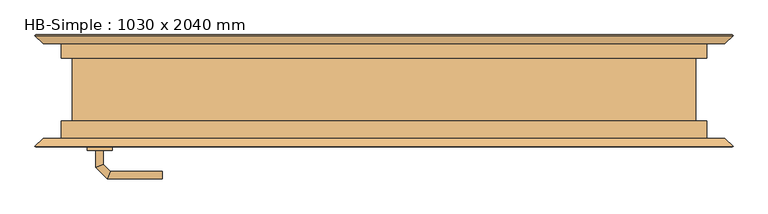
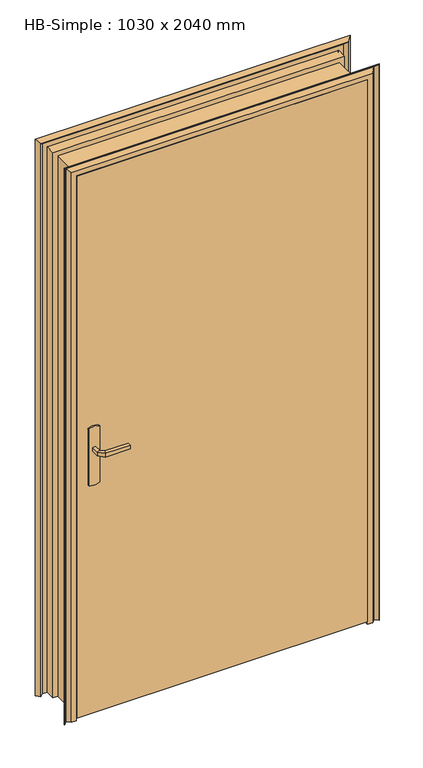
"""IFC4 building model written with IfcOpenShell, lengths in millimetres: door geometry, HB-Simple : 1030 x 2040 mm."""

from ifc_helpers import new_model, si_unit, point, frame, frame_2d, origin, place, context, project, spatial, polyline, circle_curve, ellipse_curve, trimmed, segment, composite_curve, outline, extrude, faceted_brep, source, transform, mapped, element, save
from ifc_brep_helpers import plane_surface, cylinder_surface, advanced_brep


def hb_simple_1030_x_2040_mm_afb3e1c7(model_context):
    return source(origin(), model_context, "Body", "SolidModel", [
        advanced_brep(
        [(-449.0, -45.0, 993.0), (-449.0, -45.0, 1007.0), (-461.0, -45.0, 1007.0), (-461.0, -45.0, 993.0), (-449.0, -22.5147955, 993.0), (-449.0, -22.5147955, 1007.0), (-461.0, -17.5442327, 1007.0), (-461.0, -17.5442327, 993.0), (-437.5147186, -11.0295141, 993.0), (-437.5147186, -11.0295141, 1007.0), (-442.4852814, 0.9704859, 1007.0), (-442.4852814, 0.9704859, 993.0), (-354.9542163, -11.0295141, 993.0), (-354.9542163, 0.9704859, 993.0), (-354.9542163, 0.9704859, 1007.0), (-354.9542163, -11.0295141, 1007.0)],
        [
            (0, 1),
            (1, 2, circle_curve(frame((-455.0, -45.0, 986.9542278), z_axis=(0.0, -1.0, 0.0), x_axis=(-1.0, 0.0, 0.0)), 20.9244589)),
            (2, 3),
            (3, 0, circle_curve(frame((-455.0, -45.0, 1013.0457722), z_axis=(0.0, -1.0, 0.0), x_axis=(-1.0, 0.0, 0.0)), 20.9244589)),
            (0, 4),
            (4, 5),
            (5, 1),
            (5, 6, ellipse_curve(frame((-455.0, -20.0295141, 986.9542278), z_axis=(-0.38268343236511726, -0.9238795325112753, 0.0), x_axis=(0.9238795325112752, -0.38268343236511776, 0.0)), 22.6484711, 20.9244589)),
            (6, 2),
            (6, 7),
            (7, 3),
            (7, 4, ellipse_curve(frame((-455.0, -20.0295141, 1013.0457722), z_axis=(-0.38268343236511726, -0.9238795325112753, 0.0), x_axis=(0.9238795325112752, -0.38268343236511776, 0.0)), 22.6484711, 20.9244589)),
            (4, 8),
            (8, 9),
            (9, 5),
            (9, 10, ellipse_curve(frame((-440.0, -5.0295141, 986.9542278), z_axis=(-0.9238795325112982, -0.38268343236506225, 0.0), x_axis=(0.3826834323650622, -0.9238795325112981, 0.0)), 22.6484711, 20.9244589)),
            (10, 6),
            (10, 11),
            (11, 7),
            (11, 8, ellipse_curve(frame((-440.0, -5.0295141, 1013.0457722), z_axis=(-0.9238795325112982, -0.38268343236506225, 0.0), x_axis=(0.3826834323650622, -0.9238795325112981, 0.0)), 22.6484711, 20.9244589)),
            (12, 13, circle_curve(frame((-354.9542163, -5.0295141, 1013.0457722), z_axis=(1.0, 0.0, 0.0), x_axis=(0.0, 1.0, 0.0)), 20.9244589)),
            (13, 14),
            (14, 15, circle_curve(frame((-354.9542163, -5.0295141, 986.9542278), z_axis=(1.0, 0.0, 0.0), x_axis=(0.0, 1.0, 0.0)), 20.9244589)),
            (15, 12),
            (8, 12),
            (15, 9),
            (14, 10),
            (13, 11),
        ],
        [
            plane_surface(frame((-464.2195445, -45.0, 1000.0), z_axis=(0.0, -1.0, 0.0), x_axis=(0.0, 0.0, 1.0))),
            plane_surface(frame((-449.0, -45.0, 993.0), z_axis=(1.0, 0.0, 0.0), x_axis=(0.0, 1.0, 0.0))),
            cylinder_surface(frame((-455.0, -45.0, 986.9542278), z_axis=(0.0, -1.0, 0.0), x_axis=(-1.0, 0.0, 0.0)), 20.9244589),
            plane_surface(frame((-461.0, -45.0, 1007.0), z_axis=(-1.0, 0.0, 0.0), x_axis=(0.0, 1.0, 0.0))),
            cylinder_surface(frame((-455.0, -45.0, 1013.0457722), z_axis=(0.0, -1.0, 0.0), x_axis=(-1.0, 0.0, 0.0)), 20.9244589),
            plane_surface(frame((-449.0, -22.5147955, 993.0), z_axis=(0.7071067811865118, -0.7071067811865832, 0.0), x_axis=(0.7071067811865832, 0.7071067811865118, 0.0))),
            cylinder_surface(frame((-455.0, -20.0295141, 986.9542278), z_axis=(-0.7071067811865832, -0.7071067811865118, 0.0), x_axis=(-0.7071067811865118, 0.7071067811865832, 0.0)), 20.9244589),
            plane_surface(frame((-461.0, -17.5442327, 1007.0), z_axis=(-0.7071067811865119, 0.7071067811865831, 0.0), x_axis=(0.7071067811865831, 0.7071067811865119, 0.0))),
            cylinder_surface(frame((-455.0, -20.0295141, 1013.0457722), z_axis=(-0.7071067811865832, -0.7071067811865118, 0.0), x_axis=(-0.7071067811865118, 0.7071067811865832, 0.0)), 20.9244589),
            plane_surface(frame((-354.9542163, -5.0295141, 990.7804555), z_axis=(1.0, 0.0, 0.0), x_axis=(0.0, 1.0, 0.0))),
            plane_surface(frame((-437.5147186, -11.0295141, 993.0), z_axis=(0.0, -1.0, 0.0), x_axis=(1.0, 0.0, 0.0))),
            cylinder_surface(frame((-440.0, -5.0295141, 986.9542278), z_axis=(-1.0, 0.0, 0.0), x_axis=(0.0, 1.0, 0.0)), 20.9244589),
            plane_surface(frame((-442.4852814, 0.9704859, 1007.0), z_axis=(0.0, 1.0, 0.0), x_axis=(1.0, 0.0, 0.0))),
            cylinder_surface(frame((-440.0, -5.0295141, 1013.0457722), z_axis=(-1.0, 0.0, 0.0), x_axis=(0.0, 1.0, 0.0)), 20.9244589),
        ],
        [
            (0, [[1, 2, 3, 4]]),
            (1, [[-1, 5, 6, 7]]),
            (2, [[-2, -7, 8, 9]]),
            (3, [[-3, -9, 10, 11]]),
            (4, [[-4, -11, 12, -5]]),
            (5, [[-6, 13, 14, 15]]),
            (6, [[-8, -15, 16, 17]]),
            (7, [[-10, -17, 18, 19]]),
            (8, [[-12, -19, 20, -13]]),
            (9, [[21, 22, 23, 24]]),
            (10, [[-14, 25, -24, 26]]),
            (11, [[-16, -26, -23, 27]]),
            (12, [[-18, -27, -22, 28]]),
            (13, [[-20, -28, -21, -25]]),
        ],
    ),
        advanced_brep(
        [(-461.0, -95.0, 1007.0), (-449.0, -95.0, 1007.0), (-449.0, -95.0, 993.0), (-461.0, -95.0, 993.0), (-461.0, -122.6509507, 1007.0), (-449.0, -117.680388, 1007.0), (-449.0, -117.680388, 993.0), (-461.0, -122.6509507, 993.0), (-442.62279, -141.0281607, 1007.0), (-437.6522273, -129.0281607, 1007.0), (-437.6522273, -129.0281607, 993.0), (-442.62279, -141.0281607, 993.0), (-354.9813594, -141.0281607, 1007.0), (-354.9813594, -141.0281607, 993.0), (-354.9813594, -129.0281607, 993.0), (-354.9813594, -129.0281607, 1007.0)],
        [
            (0, 1, circle_curve(frame((-455.0, -95.0, 986.9542278), z_axis=(0.0, 1.0, 0.0), x_axis=(1.0, 0.0, 0.0)), 20.9244589)),
            (1, 2),
            (2, 3, circle_curve(frame((-455.0, -95.0, 1013.0457722), z_axis=(0.0, 1.0, 0.0), x_axis=(1.0, 0.0, 0.0)), 20.9244589)),
            (3, 0),
            (0, 4),
            (4, 5, ellipse_curve(frame((-455.0, -120.1656693, 986.9542278), z_axis=(-0.3826834323651007, 0.9238795325112821, 0.0), x_axis=(0.9238795325112822, 0.3826834323651012, 0.0)), 22.6484711, 20.9244589)),
            (5, 1),
            (5, 6),
            (6, 2),
            (6, 7, ellipse_curve(frame((-455.0, -120.1656693, 1013.0457722), z_axis=(-0.3826834323651007, 0.9238795325112821, 0.0), x_axis=(0.9238795325112822, 0.3826834323651012, 0.0)), 22.6484711, 20.9244589)),
            (7, 3),
            (7, 4),
            (4, 8),
            (8, 9, ellipse_curve(frame((-440.1375086, -135.0281607, 986.9542278), z_axis=(-0.9238795325112914, 0.3826834323650786, 0.0), x_axis=(0.38268343236507874, 0.9238795325112914, 0.0)), 22.6484711, 20.9244589)),
            (9, 5),
            (9, 10),
            (10, 6),
            (10, 11, ellipse_curve(frame((-440.1375086, -135.0281607, 1013.0457722), z_axis=(-0.9238795325112914, 0.3826834323650786, 0.0), x_axis=(0.38268343236507874, 0.9238795325112914, 0.0)), 22.6484711, 20.9244589)),
            (11, 7),
            (11, 8),
            (12, 13),
            (13, 14, circle_curve(frame((-354.9813594, -135.0281607, 1013.0457722), z_axis=(1.0, 0.0, 0.0), x_axis=(0.0, 1.0, 0.0)), 20.9244589)),
            (14, 15),
            (15, 12, circle_curve(frame((-354.9813594, -135.0281607, 986.9542278), z_axis=(1.0, 0.0, 0.0), x_axis=(0.0, 1.0, 0.0)), 20.9244589)),
            (8, 12),
            (15, 9),
            (14, 10),
            (13, 11),
        ],
        [
            plane_surface(frame((-464.2195445, -95.0, 1000.0), z_axis=(0.0, 1.0, 0.0), x_axis=(0.0, 0.0, -1.0))),
            cylinder_surface(frame((-455.0, -95.0, 986.9542278), z_axis=(0.0, 1.0, 0.0), x_axis=(1.0, 0.0, 0.0)), 20.9244589),
            plane_surface(frame((-449.0, -95.0, 1007.0), z_axis=(1.0, 0.0, 0.0), x_axis=(0.0, -1.0, 0.0))),
            cylinder_surface(frame((-455.0, -95.0, 1013.0457722), z_axis=(0.0, 1.0, 0.0), x_axis=(1.0, 0.0, 0.0)), 20.9244589),
            plane_surface(frame((-461.0, -95.0, 993.0), z_axis=(-1.0, 0.0, 0.0), x_axis=(0.0, -1.0, 0.0))),
            cylinder_surface(frame((-455.0, -120.1656693, 986.9542278), z_axis=(-0.7071067811865708, 0.7071067811865241, 0.0), x_axis=(0.7071067811865241, 0.7071067811865708, 0.0)), 20.9244589),
            plane_surface(frame((-449.0, -117.680388, 1007.0), z_axis=(0.7071067811865241, 0.7071067811865709, 0.0), x_axis=(0.7071067811865709, -0.7071067811865241, 0.0))),
            cylinder_surface(frame((-455.0, -120.1656693, 1013.0457722), z_axis=(-0.7071067811865708, 0.7071067811865241, 0.0), x_axis=(0.7071067811865241, 0.7071067811865708, 0.0)), 20.9244589),
            plane_surface(frame((-461.0, -122.6509507, 993.0), z_axis=(-0.7071067811865241, -0.7071067811865709, 0.0), x_axis=(0.7071067811865709, -0.7071067811865241, 0.0))),
            plane_surface(frame((-354.9813594, -135.0281607, 990.7804555), z_axis=(1.0, 0.0, 0.0), x_axis=(0.0, 1.0, 0.0))),
            cylinder_surface(frame((-440.1375086, -135.0281607, 986.9542278), z_axis=(-1.0, 0.0, 0.0), x_axis=(0.0, 1.0, 0.0)), 20.9244589),
            plane_surface(frame((-437.6522273, -129.0281607, 1007.0), z_axis=(0.0, 1.0, 0.0), x_axis=(1.0, 0.0, 0.0))),
            cylinder_surface(frame((-440.1375086, -135.0281607, 1013.0457722), z_axis=(-1.0, 0.0, 0.0), x_axis=(0.0, 1.0, 0.0)), 20.9244589),
            plane_surface(frame((-442.62279, -141.0281607, 993.0), z_axis=(0.0, -1.0, 0.0), x_axis=(1.0, 0.0, 0.0))),
        ],
        [
            (0, [[1, 2, 3, 4]]),
            (1, [[-1, 5, 6, 7]]),
            (2, [[-2, -7, 8, 9]]),
            (3, [[-3, -9, 10, 11]]),
            (4, [[-4, -11, 12, -5]]),
            (5, [[-6, 13, 14, 15]]),
            (6, [[-8, -15, 16, 17]]),
            (7, [[-10, -17, 18, 19]]),
            (8, [[-12, -19, 20, -13]]),
            (9, [[21, 22, 23, 24]]),
            (10, [[-14, 25, -24, 26]]),
            (11, [[-16, -26, -23, 27]]),
            (12, [[-18, -27, -22, 28]]),
            (13, [[-20, -28, -21, -25]]),
        ],
    ),
        extrude(outline(composite_curve([segment(trimmed(circle_curve(frame_2d((1045.3589838, -455.0)), 40.0), [point((1080.0, -435.0))], [point((1080.0, -475.0))], False, "CARTESIAN"), True, "CONTINUOUS"), segment(polyline([(1080.0, -475.0), (870.0, -475.0)]), True, "CONTINUOUS"), segment(trimmed(circle_curve(frame_2d((904.6410162, -455.0)), 40.0), [point((870.0, -475.0))], [point((870.0, -435.0))], False, "CARTESIAN"), True, "CONTINUOUS"), segment(polyline([(870.0, -435.0), (1080.0, -435.0)]), True, "CONTINUOUS")], self_intersect=False)), frame((0.0, -50.0, 0.0), z_axis=(0.0, 1.0, 0.0), x_axis=(0.0, 0.0, 1.0)), (0.0, 0.0, 1.0), 5.0),
        extrude(outline(composite_curve([segment(trimmed(circle_curve(frame_2d((904.6410162, -455.0)), 40.0), [point((870.0, -475.0))], [point((870.0, -435.0))], False, "CARTESIAN"), True, "CONTINUOUS"), segment(polyline([(870.0, -435.0), (1080.0, -435.0)]), True, "CONTINUOUS"), segment(trimmed(circle_curve(frame_2d((1045.3589838, -455.0)), 40.0), [point((1080.0, -435.0))], [point((1080.0, -475.0))], False, "CARTESIAN"), True, "CONTINUOUS"), segment(polyline([(1080.0, -475.0), (870.0, -475.0)]), True, "CONTINUOUS")], self_intersect=False)), frame((0.0, -95.0, 0.0), z_axis=(0.0, 1.0, 0.0), x_axis=(0.0, 0.0, 1.0)), (0.0, 0.0, 1.0), 5.0),
        extrude(outline(polyline([(-515.0, -50.0), (515.0, -50.0), (515.0, -90.0), (-515.0, -90.0), (-515.0, -50.0)])), frame((0.0, 0.0, 10.0), z_axis=(0.0, 0.0, 1.0), x_axis=(1.0, 0.0, 0.0)), (0.0, 0.0, 1.0), 2030.0),
        faceted_brep([(533.5, -90.0, 0.0), (515.5201865, -90.0, 0.0), (515.0, -88.9798135, 0.0), (515.0, -50.0, 0.0), (497.5186374, -50.0, 0.0), (496.5, -48.9813626, 0.0), (496.5, 54.0454714, 0.0), (497.4545286, 55.0, 0.0), (515.0, 55.0, 0.0), (515.0, 88.9205021, 0.0), (515.5794979, 90.0, 0.0), (533.5, 90.0, 0.0), (545.5, 78.0, 0.0), (557.5, 90.0, 0.0), (558.5, 89.0, 0.0), (545.5, 76.0, 0.0), (533.5, 88.0, 0.0), (516.5, 88.0, 0.0), (516.5, 53.0, 0.0), (498.5, 53.0, 0.0), (498.5, -48.0, 0.0), (516.5, -48.0, 0.0), (516.5, -88.0, 0.0), (533.5, -88.0, 0.0), (545.5, -76.0, 0.0), (558.5, -89.0, 0.0), (557.5, -90.0, 0.0), (545.5, -78.0, 0.0), (533.5, -90.0, 2058.5), (-533.5, -90.0, 2058.5), (-533.5, -90.0, 0.0), (-515.5201865, -90.0, 0.0), (-515.5201865, -90.0, 2040.5201865), (515.5201865, -90.0, 2040.5201865), (515.0, -88.9798135, 2040.0), (515.0, -50.0, 2040.0), (-515.0, -50.0, 2040.0), (-515.0, -50.0, 0.0), (-497.5186374, -50.0, 0.0), (-497.5186374, -50.0, 2022.5186374), (497.5186374, -50.0, 2022.5186374), (496.5, -48.9813626, 2021.5), (496.5, 54.0454714, 2021.5), (497.4545286, 55.0, 2022.4545286), (-497.4545286, 55.0, 2022.4545286), (-497.4545286, 55.0, 0.0), (-515.0, 55.0, 0.0), (-515.0, 55.0, 2040.0), (515.0, 55.0, 2040.0), (515.0, 88.9205021, 2040.0), (515.5794979, 90.0, 2040.5794979), (-515.5794979, 90.0, 2040.5794979), (-515.5794979, 90.0, 0.0), (-533.5, 90.0, 0.0), (-533.5, 90.0, 2058.5), (533.5, 90.0, 2058.5), (545.5, 78.0, 2070.5), (557.5, 90.0, 2082.5), (558.5, 89.0, 2083.5), (545.5, 76.0, 2070.5), (533.5, 88.0, 2058.5), (-533.5, 88.0, 2058.5), (-533.5, 88.0, 0.0), (-516.5, 88.0, 0.0), (-516.5, 88.0, 2041.5), (516.5, 88.0, 2041.5), (516.5, 53.0, 2041.5), (-516.5, 53.0, 2041.5), (-516.5, 53.0, 0.0), (-498.5, 53.0, 0.0), (-498.5, 53.0, 2023.5), (498.5, 53.0, 2023.5), (498.5, -48.0, 2023.5), (-498.5, -48.0, 2023.5), (-498.5, -48.0, 0.0), (-516.5, -48.0, 0.0), (-516.5, -48.0, 2041.5), (516.5, -48.0, 2041.5), (516.5, -88.0, 2041.5), (-516.5, -88.0, 2041.5), (-516.5, -88.0, 0.0), (-533.5, -88.0, 0.0), (-533.5, -88.0, 2058.5), (533.5, -88.0, 2058.5), (545.5, -76.0, 2070.5), (558.5, -89.0, 2083.5), (557.5, -90.0, 2082.5), (545.5, -78.0, 2070.5), (-545.5, -78.0, 0.0), (-557.5, -90.0, 0.0), (-558.5, -89.0, 0.0), (-545.5, -76.0, 0.0), (-545.5, 76.0, 0.0), (-558.5, 89.0, 0.0), (-557.5, 90.0, 0.0), (-545.5, 78.0, 0.0), (-515.0, 88.9205021, 0.0), (-496.5, 54.0454714, 0.0), (-496.5, -48.9813626, 0.0), (-515.0, -88.9798135, 0.0), (-545.5, -78.0, 2070.5), (-557.5, -90.0, 2082.5), (-558.5, -89.0, 2083.5), (-545.5, -76.0, 2070.5), (-545.5, 76.0, 2070.5), (-558.5, 89.0, 2083.5), (-557.5, 90.0, 2082.5), (-545.5, 78.0, 2070.5), (-515.0, 88.9205021, 2040.0), (-496.5, 54.0454714, 2021.5), (-496.5, -48.9813626, 2021.5), (-515.0, -88.9798135, 2040.0)], [[[0, 1, 2, 3, 4, 5, 6, 7, 8, 9, 10, 11, 12, 13, 14, 15, 16, 17, 18, 19, 20, 21, 22, 23, 24, 25, 26, 27]], [[1, 0, 28, 29, 30, 31, 32, 33]], [[2, 1, 33, 34]], [[3, 2, 34, 35]], [[4, 3, 35, 36, 37, 38, 39, 40]], [[5, 4, 40, 41]], [[6, 5, 41, 42]], [[7, 6, 42, 43]], [[8, 7, 43, 44, 45, 46, 47, 48]], [[9, 8, 48, 49]], [[10, 9, 49, 50]], [[11, 10, 50, 51, 52, 53, 54, 55]], [[12, 11, 55, 56]], [[13, 12, 56, 57]], [[14, 13, 57, 58]], [[15, 14, 58, 59]], [[16, 15, 59, 60]], [[17, 16, 60, 61, 62, 63, 64, 65]], [[18, 17, 65, 66]], [[19, 18, 66, 67, 68, 69, 70, 71]], [[20, 19, 71, 72]], [[21, 20, 72, 73, 74, 75, 76, 77]], [[22, 21, 77, 78]], [[23, 22, 78, 79, 80, 81, 82, 83]], [[24, 23, 83, 84]], [[25, 24, 84, 85]], [[26, 25, 85, 86]], [[27, 26, 86, 87]], [[0, 27, 87, 28]], [[30, 88, 89, 90, 91, 81, 80, 75, 74, 69, 68, 63, 62, 92, 93, 94, 95, 53, 52, 96, 46, 45, 97, 98, 38, 37, 99, 31]], [[29, 100, 88, 30]], [[100, 101, 89, 88]], [[101, 102, 90, 89]], [[102, 103, 91, 90]], [[103, 82, 81, 91]], [[79, 76, 75, 80]], [[73, 70, 69, 74]], [[67, 64, 63, 68]], [[61, 104, 92, 62]], [[104, 105, 93, 92]], [[105, 106, 94, 93]], [[106, 107, 95, 94]], [[107, 54, 53, 95]], [[51, 108, 96, 52]], [[108, 47, 46, 96]], [[44, 109, 97, 45]], [[109, 110, 98, 97]], [[110, 39, 38, 98]], [[36, 111, 99, 37]], [[111, 32, 31, 99]], [[35, 34, 111, 36]], [[42, 41, 110, 109]], [[49, 48, 47, 108]], [[66, 65, 64, 67]], [[72, 71, 70, 73]], [[78, 77, 76, 79]], [[34, 33, 32, 111]], [[41, 40, 39, 110]], [[43, 42, 109, 44]], [[50, 49, 108, 51]], [[56, 55, 54, 107]], [[57, 56, 107, 106]], [[58, 57, 106, 105]], [[59, 58, 105, 104]], [[60, 59, 104, 61]], [[84, 83, 82, 103]], [[85, 84, 103, 102]], [[86, 85, 102, 101]], [[87, 86, 101, 100]], [[28, 87, 100, 29]]]),
    ])


if __name__ == "__main__":
    model = new_model("IFC4")
    model_context = context("Model", 3, world=origin())
    ifc_project = project(units=[si_unit("LENGTHUNIT", "METRE", prefix="MILLI")], contexts=[model_context])
    site = spatial("IfcSite", under=ifc_project)
    building = spatial("IfcBuilding", under=site)
    placement = place(None, origin())
    hb_simple_1030_x_2040_mm_shape = hb_simple_1030_x_2040_mm_afb3e1c7(model_context)
    element("IfcDoor", 1, ObjectType="HB-Simple : 1030 x 2040 mm", at=placement, inside=building, context=model_context, shape_type="MappedRepresentation", body=[
        mapped(hb_simple_1030_x_2040_mm_shape, transform((0.0, 0.0, 0.0), x_axis=(1.0, 0.0, 0.0), y_axis=(0.0, 1.0, 0.0), z_axis=(0.0, 0.0, 1.0))),
    ])
    save(model, "model.ifc")
